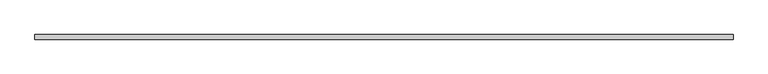
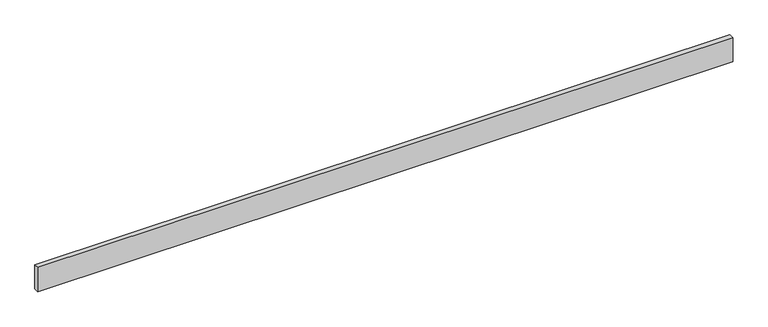
"""IFC4 building model written with IfcOpenShell, lengths in millimetres: beam geometry."""

from ifc_helpers import new_model, si_unit, frame, origin, place, context, project, spatial, polyline, outline, extrude, source, transform, mapped, element, save


def beam_5e7e58cd(model_context):
    return source(origin(), model_context, "Body", "SweptSolid", [
        extrude(outline(polyline([(2713.75, -18.0), (-2713.75, -18.0), (-2713.75, 18.0), (2713.75, 18.0), (2713.75, -18.0)])), frame((0.0, 0.0, -100.0), z_axis=(0.0, 0.0, 1.0), x_axis=(1.0, 0.0, 0.0)), (0.0, 0.0, 1.0), 200.0),
    ])


if __name__ == "__main__":
    model = new_model("IFC4")
    model_context = context("Model", 3, world=origin())
    ifc_project = project(units=[si_unit("LENGTHUNIT", "METRE", prefix="MILLI")], contexts=[model_context])
    site = spatial("IfcSite", under=ifc_project)
    building = spatial("IfcBuilding", under=site)
    placement = place(None, origin())
    beam_shape = beam_5e7e58cd(model_context)
    element("IfcBeam", 1, at=placement, inside=building, context=model_context, shape_type="MappedRepresentation", body=[
        mapped(beam_shape, transform((0.0, 0.0, 0.0), x_axis=(1.0, 0.0, 0.0), y_axis=(0.0, 1.0, 0.0), z_axis=(0.0, 0.0, 1.0))),
    ])
    save(model, "model.ifc")
